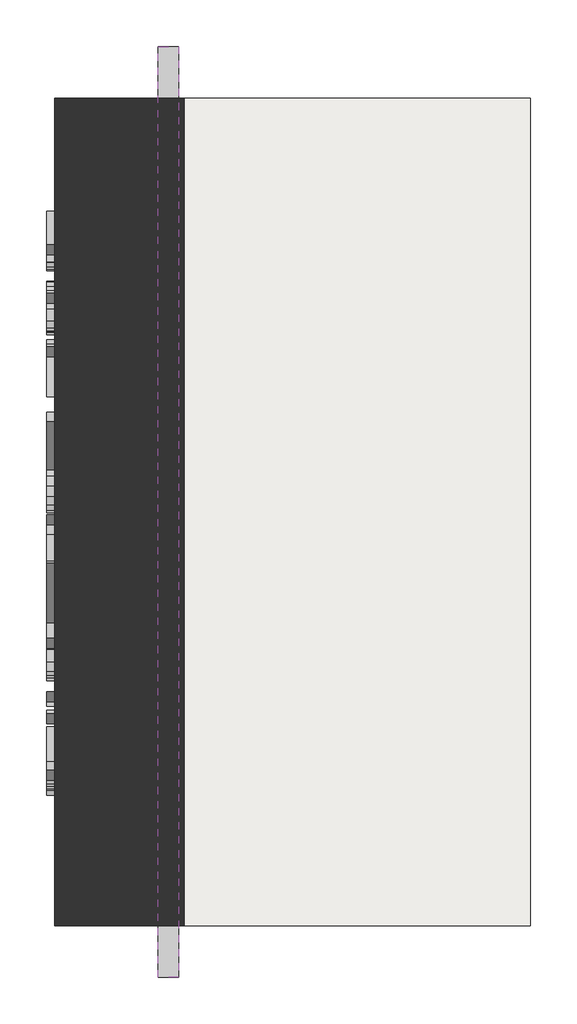
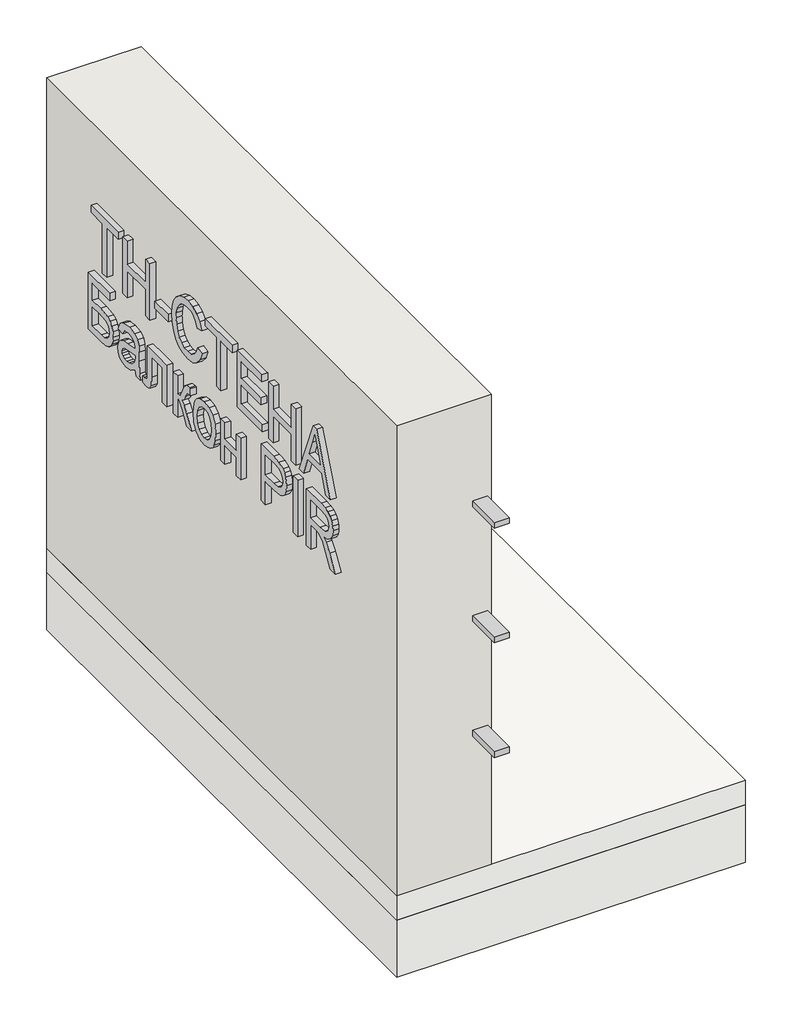
# One storey: 3 beams, 2 slabs, 1 proxy, 1 wall.
"""IFC4 building model written with IfcOpenShell, lengths in millimetres."""

import ifcopenshell
import ifcopenshell.guid

model = None  # the IFC model being written
_history = None  # IfcOwnerHistory: only IFC2X3 demands one
_inside = {}  # id of a spatial element -> (the spatial element, [elements in it])
_under = {}  # id of a project, library or spatial element -> (it, [spatial elements below it])
_declared = {}  # id of a project -> (the project, [libraries it declares])
_typed = {}  # id of a type object -> (the type object, [elements of that type])
_made_of = {}  # id of a material, layer set ... -> (it, [elements and type objects made of it])


def new_model(schema):
    """Start an empty IFC model of exactly this schema.

    Asked for "IFC4X3", IfcOpenShell would pick the latest addendum, in which some entities
    have other attributes; the version numbers below select the first issue.
    IFC2X3 requires an IfcOwnerHistory on every rooted entity: one is made here for all.
    """
    global model, _history
    if schema == "IFC4X3":
        model = ifcopenshell.file(schema_version=(4, 3, 0, 0))
    else:
        model = ifcopenshell.file(schema=schema)
    _inside.clear()
    _under.clear()
    _declared.clear()
    _typed.clear()
    _made_of.clear()
    _history = None
    if model.schema == "IFC2X3":
        org = make("IfcOrganization", Name="unknown")
        user = make(
            "IfcPersonAndOrganization",
            ThePerson=make("IfcPerson", FamilyName="unknown"),
            TheOrganization=org,
        )
        app = make(
            "IfcApplication",
            ApplicationDeveloper=org,
            Version="unknown",
            ApplicationFullName="unknown",
            ApplicationIdentifier="unknown",
        )
        _history = make(
            "IfcOwnerHistory",
            OwningUser=user,
            OwningApplication=app,
            ChangeAction="ADDED",
            CreationDate=0,
        )
    return model


def make(cls, **values):
    """One entity of the class cls with the attributes given. An attribute that is None is left unset."""
    return model.create_entity(
        cls, **{name: value for name, value in values.items() if value is not None}
    )


def rooted(cls, **values):
    """An entity with a GlobalId (a new one), such as an element, a storey or a relation."""
    return make(cls, GlobalId=ifcopenshell.guid.new(), OwnerHistory=_history, **values)


def si_unit(unit_type, name, prefix=None):
    """IfcSIUnit, for example si_unit("LENGTHUNIT", "METRE", prefix="MILLI")."""
    return make("IfcSIUnit", UnitType=unit_type, Prefix=prefix, Name=name)


def assignment(units):
    """IfcUnitAssignment: the units of a project."""
    return None if units is None else make("IfcUnitAssignment", Units=units)


def point(xyz):
    """IfcCartesianPoint."""
    return None if xyz is None else make("IfcCartesianPoint", Coordinates=xyz)


def direction(xyz):
    """IfcDirection."""
    return None if xyz is None else make("IfcDirection", DirectionRatios=xyz)


def frame(location, z_axis=None, x_axis=None):
    """IfcAxis2Placement3D, a coordinate frame: its origin and axes. An axis left out is left unset."""
    return make(
        "IfcAxis2Placement3D",
        Location=point(location),
        Axis=direction(z_axis),
        RefDirection=direction(x_axis),
    )


def origin():
    """The frame at (0, 0, 0) with its axes left unset."""
    return frame((0.0, 0.0, 0.0))


def origin_with_axes():
    """The frame at (0, 0, 0) with the z axis (0, 0, 1) and the x axis (1, 0, 0) written out."""
    return frame((0.0, 0.0, 0.0), z_axis=(0.0, 0.0, 1.0), x_axis=(1.0, 0.0, 0.0))


def place(relative_to, where):
    """IfcLocalPlacement: puts the frame where relative to a parent placement (None: the world)."""
    return make(
        "IfcLocalPlacement", PlacementRelTo=relative_to, RelativePlacement=where
    )


def context(
    kind, dimensions, precision=None, world=None, true_north=None, identifier=None
):
    """IfcGeometricRepresentationContext, for example the 3D "Model" context."""
    return make(
        "IfcGeometricRepresentationContext",
        ContextIdentifier=identifier,
        ContextType=kind,
        CoordinateSpaceDimension=dimensions,
        Precision=precision,
        WorldCoordinateSystem=world,
        TrueNorth=true_north,
    )


def project(units=None, contexts=None):
    """IfcProject with its units and contexts."""
    return rooted(
        "IfcProject",
        Name="project",
        RepresentationContexts=contexts,
        UnitsInContext=assignment(units),
    )


def spatial(cls, under=None, at=None, **own):
    """A site, building, storey or space (cls), placed at a placement, below another one or the project."""
    s = rooted(cls, ObjectPlacement=at, **own)
    if under is not None:
        _under.setdefault(under.id(), (under, []))[1].append(s)
    return s


def polyline(points):
    """IfcPolyline through the points."""
    return make("IfcPolyline", Points=[point(p) for p in points])


def outline(outer, holes=None, kind="AREA"):
    """IfcArbitraryClosedProfileDef: a profile drawn as a closed curve; with holes, ...WithVoids."""
    if holes is None:
        return make("IfcArbitraryClosedProfileDef", ProfileType=kind, OuterCurve=outer)
    return make(
        "IfcArbitraryProfileDefWithVoids",
        ProfileType=kind,
        OuterCurve=outer,
        InnerCurves=holes,
    )


def extrude(swept, where, along, depth):
    """IfcExtrudedAreaSolid: the profile swept, set in the frame where, extruded along a direction by depth."""
    return make(
        "IfcExtrudedAreaSolid",
        SweptArea=swept,
        Position=where,
        ExtrudedDirection=direction(along),
        Depth=depth,
    )


def faces_of(points, faces, orient=None, outer=None):
    """IfcFace entities. A face is a list of loops; a loop is a list of indices into points, from 0.

    orient and outer hold one flag for each loop. By default every Orientation is true, the
    first loop of a face is its IfcFaceOuterBound and the others are IfcFaceBound.
    """
    made = []
    for i, loops in enumerate(faces):
        bounds = []
        for j, loop in enumerate(loops):
            is_outer = j == 0 if outer is None else outer[i][j]
            bounds.append(
                make(
                    "IfcFaceOuterBound" if is_outer else "IfcFaceBound",
                    Bound=make("IfcPolyLoop", Polygon=[points[k] for k in loop]),
                    Orientation=True if orient is None else orient[i][j],
                )
            )
        made.append(make("IfcFace", Bounds=bounds))
    return made


def faceted_brep(points, faces, orient=None, outer=None, voids=None):
    """IfcFacetedBrep: a solid bounded by flat faces; with voids (closed shells), ...WithVoids."""
    shared = [point(p) for p in points]
    hull = make("IfcClosedShell", CfsFaces=faces_of(shared, faces, orient, outer))
    if voids is None:
        return make("IfcFacetedBrep", Outer=hull)
    return make(
        "IfcFacetedBrepWithVoids",
        Outer=hull,
        Voids=[
            make(cls, CfsFaces=faces_of(shared, fs, o, b)) for cls, fs, o, b in voids
        ],
    )


def shape(context_of_items, identifier, shape_type, items):
    """IfcShapeRepresentation: the items that make up one representation, for example the "Body"."""
    return make(
        "IfcShapeRepresentation",
        ContextOfItems=context_of_items,
        RepresentationIdentifier=identifier,
        RepresentationType=shape_type,
        Items=items,
    )


def source(mapping_origin, context_of_items, identifier, shape_type, items):
    """IfcRepresentationMap: a shape defined once, which mapped items show again and again."""
    return make(
        "IfcRepresentationMap",
        MappingOrigin=mapping_origin,
        MappedRepresentation=shape(context_of_items, identifier, shape_type, items),
    )


def transform(
    local_origin,
    x_axis=None,
    y_axis=None,
    z_axis=None,
    scale=None,
    scale2=None,
    scale3=None,
    uniform=True,
):
    """IfcCartesianTransformationOperator3D, or its non-uniform kind. x_axis, y_axis, z_axis: its Axis1, 2, 3."""
    if uniform:
        return make(
            "IfcCartesianTransformationOperator3D",
            Axis1=direction(x_axis),
            Axis2=direction(y_axis),
            LocalOrigin=point(local_origin),
            Scale=scale,
            Axis3=direction(z_axis),
        )
    return make(
        "IfcCartesianTransformationOperator3DnonUniform",
        Axis1=direction(x_axis),
        Axis2=direction(y_axis),
        LocalOrigin=point(local_origin),
        Scale=scale,
        Axis3=direction(z_axis),
        Scale2=scale2,
        Scale3=scale3,
    )


def mapped(mapping_source, mapping_target):
    """IfcMappedItem: shows the shape of a source again, moved by a transform."""
    return make(
        "IfcMappedItem", MappingSource=mapping_source, MappingTarget=mapping_target
    )


def made_of(thing, what):
    """Note that an element or type object is made of a material, layer set ...; save() writes the relation."""
    if what is not None:
        _made_of.setdefault(what.id(), (what, []))[1].append(thing)
    return thing


def element(
    cls,
    number,
    at=None,
    inside=None,
    cuts=None,
    type_object=None,
    material=None,
    context=None,
    identifier="Body",
    shape_type=None,
    held_by="IfcProductDefinitionShape",
    body=None,
    shapes=None,
    **own,
):
    """One element of the class cls, such as IfcWall. Its Tag is "e" and its number.

    at: its placement. inside: the storey or other place that contains it. cuts: it is an
    opening in that element (IfcRelVoidsElement). A single representation is given by context,
    identifier, shape_type and body (its items); several are given by shapes. held_by: the class
    of the entity that holds the representations. save() writes the other relations.
    """
    e = rooted(cls, Tag="e%d" % number, ObjectPlacement=at, **own)
    if body is not None:
        shapes = [shape(context, identifier, shape_type, body)]
    if shapes is not None:
        e.Representation = make(held_by, Representations=shapes)
    if inside is not None:
        _inside.setdefault(inside.id(), (inside, []))[1].append(e)
    if cuts is not None:
        rooted(
            "IfcRelVoidsElement", RelatingBuildingElement=cuts, RelatedOpeningElement=e
        )
    if type_object is not None:
        _typed.setdefault(type_object.id(), (type_object, []))[1].append(e)
    return made_of(e, material)


def aggregate(whole, parts):
    """IfcRelAggregates: a whole, such as a stair, and the parts it consists of."""
    return rooted("IfcRelAggregates", RelatingObject=whole, RelatedObjects=parts)


def save(model, path):
    """Write the relations noted so far, then the file.

    IfcRelAggregates (storeys below a building ...), IfcRelContainedInSpatialStructure (elements
    in a storey), IfcRelDefinesByType, IfcRelAssociatesMaterial and IfcRelDeclares: one each for
    every whole, place, type object, material and project.
    """
    for whole, parts in _under.values():
        aggregate(whole, parts)
    for where, things in _inside.values():
        rooted(
            "IfcRelContainedInSpatialStructure",
            RelatedElements=things,
            RelatingStructure=where,
        )
    for kind, things in _typed.values():
        rooted("IfcRelDefinesByType", RelatedObjects=things, RelatingType=kind)
    for what, things in _made_of.values():
        rooted("IfcRelAssociatesMaterial", RelatedObjects=things, RelatingMaterial=what)
    for by, libraries in _declared.values():
        rooted("IfcRelDeclares", RelatingContext=by, RelatedDefinitions=libraries)
    model.write(path)


def beam_9943f007(model_context):
    return source(origin(), model_context, "Body", "SweptSolid", [
        extrude(outline(polyline([(1125.0, 10.0), (1125.0, -10.0), (-1125.0, -10.0), (-1125.0, 10.0), (1125.0, 10.0)])), frame((0.0, 0.0, -25.0), z_axis=(0.0, 0.0, 1.0), x_axis=(1.0, 0.0, 0.0)), (0.0, 0.0, 1.0), 50.0),
    ])


model = new_model("IFC4")

# Units and contexts
model_context = context("Model", 3, world=origin())
ifc_project = project(units=[si_unit("LENGTHUNIT", "METRE", prefix="MILLI")], contexts=[model_context])

# Site, building, storey
site = spatial("IfcSite", under=ifc_project)
building = spatial("IfcBuilding", under=site)
storey = spatial("IfcBuildingStorey", under=building, Elevation=0.0)

# Beams
placement = place(None, origin())
beam_shape = beam_9943f007(model_context)
element("IfcBeam", 1, at=placement, inside=storey, context=model_context, shape_type="MappedRepresentation", body=[
    mapped(beam_shape, transform((43425.1455952, -23302.6148653, 1280.0), x_axis=(0.0, -1.0, 0.0), y_axis=(0.0, 0.0, 1.0), z_axis=(-1.0, 0.0, 0.0))),
])
element("IfcBeam", 2, at=placement, inside=storey, context=model_context, shape_type="MappedRepresentation", body=[
    mapped(beam_shape, transform((43425.1455952, -23302.6148653, 880.0), x_axis=(0.0, -1.0, 0.0), y_axis=(0.0, 0.0, 1.0), z_axis=(-1.0, 0.0, 0.0))),
])
element("IfcBeam", 3, at=placement, inside=storey, context=model_context, shape_type="MappedRepresentation", body=[
    mapped(beam_shape, transform((43425.1455952, -23302.6148653, 480.0), x_axis=(0.0, -1.0, 0.0), y_axis=(0.0, 0.0, 1.0), z_axis=(-1.0, 0.0, 0.0))),
])

# Proxy
element("IfcBuildingElementProxy", 4, Name="Generic Models", at=placement, inside=storey, context=model_context, shape_type="SweptSolid", body=[
    extrude(outline(polyline([(-22656.7814545, 1181.1112414), (-22681.3968391, 1181.1112414), (-22681.3968391, 1353.4189337), (-22746.0122237, 1353.4189337), (-22746.0122237, 1378.0343184), (-22592.1660699, 1378.0343184), (-22592.1660699, 1353.4189337), (-22656.7814545, 1353.4189337), (-22656.7814545, 1181.1112414)])), frame((43130.1455952, 0.0, 0.0), z_axis=(1.0, 0.0, 0.0), x_axis=(0.0, 1.0, 0.0)), (0.0, 0.0, 1.0), 20.0),
    extrude(outline(polyline([(-22773.7045314, 1181.1112414), (-22798.319916, 1181.1112414), (-22798.319916, 1273.4189337), (-22902.9353006, 1273.4189337), (-22902.9353006, 1181.1112414), (-22927.5506853, 1181.1112414), (-22927.5506853, 1378.0343184), (-22902.9353006, 1378.0343184), (-22902.9353006, 1298.0343184), (-22798.319916, 1298.0343184), (-22798.319916, 1378.0343184), (-22773.7045314, 1378.0343184), (-22773.7045314, 1181.1112414)])), frame((43130.1455952, 0.0, 0.0), z_axis=(1.0, 0.0, 0.0), x_axis=(0.0, 1.0, 0.0)), (0.0, 0.0, 1.0), 20.0),
    extrude(outline(polyline([(43130.1455952, -23032.1660699), (43130.1455952, -22955.242993), (43150.1455952, -22955.242993), (43150.1455952, -23032.1660699), (43130.1455952, -23032.1660699)])), frame((0.0, 0.0, 1239.5727799), z_axis=(0.0, 0.0, 1.0), x_axis=(1.0, 0.0, 0.0)), (0.0, 0.0, 1.0), 24.6153846),
    extrude(outline(polyline([(-23201.3968391, 1251.1112414), (-23193.4340987, 1230.0295107), (-23180.507416, 1214.8612414), (-23163.3860218, 1205.7025876), (-23142.8391468, 1202.649703), (-23125.2129449, 1204.8912895), (-23108.8728006, 1211.6160491), (-23095.242993, 1222.8720587), (-23085.7478006, 1238.7073953), (-23080.1768872, 1258.3708568), (-23078.319916, 1281.1112414), (-23079.8884256, 1299.680953), (-23084.5939545, 1317.6977799), (-23093.1696756, 1333.6352799), (-23106.3487622, 1345.9670107), (-23123.7165506, 1353.8636453), (-23144.8583776, 1356.4958568), (-23163.1997237, 1354.1220587), (-23178.1276083, 1347.0006645), (-23189.7862622, 1334.6869626), (-23198.319916, 1316.7362414), (-23222.9353006, 1322.601626), (-23212.0639064, 1347.3131645), (-23195.1228006, 1365.774703), (-23172.8090987, 1377.2771068), (-23145.819916, 1381.1112414), (-23121.0843391, 1378.148501), (-23098.5122237, 1369.2602799), (-23079.4797718, 1354.6629241), (-23065.3631853, 1334.5727799), (-23056.6191949, 1309.7771068), (-23053.7045314, 1281.0631645), (-23056.2826564, 1253.8396068), (-23064.0170314, 1228.4189337), (-23076.6853006, 1206.7963376), (-23094.0651083, 1190.9670107), (-23116.7393872, 1181.2674914), (-23145.2910699, 1178.0343184), (-23173.4160699, 1182.3071549), (-23196.8295314, 1195.1256645), (-23214.6540506, 1216.0811934), (-23226.0122237, 1244.7650876), (-23201.3968391, 1251.1112414)])), frame((43130.1455952, 0.0, 0.0), z_axis=(1.0, 0.0, 0.0), x_axis=(0.0, 1.0, 0.0)), (0.0, 0.0, 1.0), 20.0),
    extrude(outline(polyline([(-23309.0891468, 1181.1112414), (-23333.7045314, 1181.1112414), (-23333.7045314, 1353.4189337), (-23398.319916, 1353.4189337), (-23398.319916, 1378.0343184), (-23244.4737622, 1378.0343184), (-23244.4737622, 1353.4189337), (-23309.0891468, 1353.4189337), (-23309.0891468, 1181.1112414)])), frame((43130.1455952, 0.0, 0.0), z_axis=(1.0, 0.0, 0.0), x_axis=(0.0, 1.0, 0.0)), (0.0, 0.0, 1.0), 20.0),
    extrude(outline(polyline([(-23426.0122237, 1181.1112414), (-23570.6276083, 1181.1112414), (-23570.6276083, 1205.726626), (-23450.6276083, 1205.726626), (-23450.6276083, 1270.3420107), (-23561.3968391, 1270.3420107), (-23561.3968391, 1294.9573953), (-23450.6276083, 1294.9573953), (-23450.6276083, 1353.4189337), (-23567.5506853, 1353.4189337), (-23567.5506853, 1378.0343184), (-23426.0122237, 1378.0343184), (-23426.0122237, 1181.1112414)])), frame((43130.1455952, 0.0, 0.0), z_axis=(1.0, 0.0, 0.0), x_axis=(0.0, 1.0, 0.0)), (0.0, 0.0, 1.0), 20.0),
    extrude(outline(polyline([(-23607.5506853, 1181.1112414), (-23632.1660699, 1181.1112414), (-23632.1660699, 1273.4189337), (-23736.7814545, 1273.4189337), (-23736.7814545, 1181.1112414), (-23761.3968391, 1181.1112414), (-23761.3968391, 1378.0343184), (-23736.7814545, 1378.0343184), (-23736.7814545, 1298.0343184), (-23632.1660699, 1298.0343184), (-23632.1660699, 1378.0343184), (-23607.5506853, 1378.0343184), (-23607.5506853, 1181.1112414)])), frame((43130.1455952, 0.0, 0.0), z_axis=(1.0, 0.0, 0.0), x_axis=(0.0, 1.0, 0.0)), (0.0, 0.0, 1.0), 20.0),
    extrude(outline(polyline([(-23781.5410699, 1181.1112414), (-23807.5506853, 1181.1112414), (-23830.0506853, 1242.649703), (-23911.1564545, 1242.649703), (-23933.7045314, 1181.1112414), (-23959.7141468, 1181.1112414), (-23881.1083776, 1378.0343184), (-23860.1468391, 1378.0343184), (-23781.5410699, 1181.1112414)]), holes=[polyline([(-23839.0891468, 1267.2650876), (-23858.367993, 1319.9093184), (-23870.6276083, 1353.4189337), (-23884.4256853, 1315.6785491), (-23902.1660699, 1267.2650876), (-23839.0891468, 1267.2650876)])]), frame((43130.1455952, 0.0, 0.0), z_axis=(1.0, 0.0, 0.0), x_axis=(0.0, 1.0, 0.0)), (0.0, 0.0, 1.0), 20.0),
    extrude(outline(polyline([(-22575.242993, 1134.9573953), (-22575.242993, 938.0343184), (-22650.3872237, 938.0343184), (-22676.7453968, 940.101626), (-22694.0891468, 946.3035491), (-22705.3331372, 955.7686934), (-22713.3920314, 967.6256645), (-22718.241791, 981.165328), (-22719.8583776, 995.6785491), (-22717.586743, 1012.962203), (-22710.7718391, 1027.9862414), (-22700.1828968, 1039.6569145), (-22686.5891468, 1046.8804722), (-22645.9641468, 1051.8804722), (-22599.8583776, 1051.8804722), (-22599.8583776, 1110.3420107), (-22698.319916, 1110.3420107), (-22698.319916, 1134.9573953), (-22575.242993, 1134.9573953)]), holes=[polyline([(-22599.8583776, 962.649703), (-22599.8583776, 1027.2650876), (-22635.0506853, 1027.2650876), (-22672.1420314, 1024.7170107), (-22681.835541, 1020.8708568), (-22689.1372237, 1014.4285491), (-22693.7165506, 1005.7386453), (-22695.242993, 995.149703), (-22692.5747237, 980.930953), (-22684.569916, 970.774703), (-22671.2405891, 964.680953), (-22652.5987622, 962.649703), (-22599.8583776, 962.649703)])]), frame((43130.1455952, 0.0, 0.0), z_axis=(1.0, 0.0, 0.0), x_axis=(0.0, 1.0, 0.0)), (0.0, 0.0, 1.0), 20.0),
    extrude(outline(polyline([(-22842.9353006, 956.4958568), (-22849.0891468, 938.0343184), (-22873.7045314, 938.0343184), (-22868.8006853, 958.7314337), (-22867.5506853, 1001.4958568), (-22867.5506853, 1032.1208568), (-22866.3487622, 1053.6593184), (-22858.8006853, 1070.3660491), (-22841.9497237, 1081.351626), (-22812.117993, 1085.726626), (-22779.6420314, 1080.774703), (-22767.274243, 1074.7771068), (-22758.1997237, 1066.6881645), (-22747.5506853, 1042.649703), (-22772.1660699, 1039.5727799), (-22777.0578968, 1049.8071549), (-22784.0410699, 1056.3756645), (-22808.944916, 1061.1112414), (-22824.7862622, 1059.3323953), (-22836.1564545, 1053.9958568), (-22841.2405891, 1046.8083568), (-22842.9353006, 1035.8227799), (-22842.7910699, 1030.3420107), (-22800.0987622, 1021.8804722), (-22778.8006853, 1018.1785491), (-22761.5651083, 1010.101626), (-22749.1853006, 995.9670107), (-22744.4737622, 976.4958568), (-22747.5927526, 959.945376), (-22756.9497237, 946.6400876), (-22772.1240026, 937.8780684), (-22792.694916, 934.9573953), (-22819.0651083, 939.8131645), (-22842.9353006, 956.4958568)]), holes=[polyline([(-22842.9353006, 1005.726626), (-22842.7910699, 998.7554722), (-22838.8968391, 979.7170107), (-22822.8391468, 965.462203), (-22811.1564545, 961.0451357), (-22797.9353006, 959.5727799), (-22785.4653487, 960.9069145), (-22776.4208776, 964.9093184), (-22770.9220795, 970.9069145), (-22769.0891468, 978.226626), (-22772.4545314, 987.6977799), (-22782.0458776, 994.1881645), (-22803.2237622, 998.1785491), (-22842.9353006, 1005.726626)])]), frame((43130.1455952, 0.0, 0.0), z_axis=(1.0, 0.0, 0.0), x_axis=(0.0, 1.0, 0.0)), (0.0, 0.0, 1.0), 20.0),
    extrude(outline(polyline([(-22913.7045314, 1082.649703), (-22913.7045314, 990.4381645), (-22912.5987622, 968.9718184), (-22908.1516468, 964.164126), (-22897.0218391, 962.649703), (-22886.0122237, 962.649703), (-22886.0122237, 939.2843184), (-22906.0122237, 938.0343184), (-22918.4401083, 939.4706164), (-22927.5506853, 943.7795107), (-22936.6612622, 957.2170107), (-22938.319916, 989.0439337), (-22938.319916, 1058.0343184), (-22999.8583776, 1058.0343184), (-22999.8583776, 938.1785491), (-23024.4737622, 938.1785491), (-23024.4737622, 1082.649703), (-22913.7045314, 1082.649703)])), frame((43130.1455952, 0.0, 0.0), z_axis=(1.0, 0.0, 0.0), x_axis=(0.0, 1.0, 0.0)), (0.0, 0.0, 1.0), 20.0),
    extrude(outline(polyline([(-23061.3968391, 1082.649703), (-23061.3968391, 938.0343184), (-23086.0122237, 938.0343184), (-23086.0122237, 1005.726626), (-23099.2333776, 1001.1833568), (-23112.2141468, 982.4093184), (-23138.0314545, 938.0343184), (-23166.0122237, 938.0343184), (-23139.6660699, 983.3708568), (-23124.4256853, 1003.5511453), (-23108.8968391, 1013.1304722), (-23122.8151083, 1021.712203), (-23132.742993, 1039.2362414), (-23141.2045314, 1055.4381645), (-23153.2237622, 1058.0343184), (-23159.8583776, 1057.8900876), (-23159.8583776, 1082.649703), (-23155.1468391, 1082.649703), (-23137.1420314, 1080.774703), (-23127.2381853, 1073.539126), (-23116.0122237, 1051.3035491), (-23102.5026083, 1025.5343184), (-23086.0122237, 1021.1112414), (-23086.0122237, 1082.649703), (-23061.3968391, 1082.649703)])), frame((43130.1455952, 0.0, 0.0), z_axis=(1.0, 0.0, 0.0), x_axis=(0.0, 1.0, 0.0)), (0.0, 0.0, 1.0), 20.0),
    extrude(outline(polyline([(-23175.242993, 1010.3420107), (-23179.7081372, 978.0823953), (-23193.1035699, 954.3804722), (-23213.7345795, 939.8131645), (-23239.9064545, 934.9573953), (-23257.2802526, 937.1629241), (-23273.2478006, 943.7795107), (-23286.6913103, 954.3864818), (-23296.492993, 968.5631645), (-23302.4785699, 987.493453), (-23304.4737622, 1012.3612414), (-23299.960541, 1043.0162895), (-23286.4208776, 1066.2314337), (-23265.7658295, 1080.852828), (-23239.9064545, 1085.726626), (-23216.2766468, 1081.7242222), (-23196.5410699, 1069.7170107), (-23187.2231612, 1058.758477), (-23180.5675122, 1045.2097991), (-23175.242993, 1010.3420107)]), holes=[polyline([(-23199.8583776, 1010.3900876), (-23202.7069353, 1032.6557126), (-23211.2526083, 1048.4910491), (-23224.1131853, 1057.9561934), (-23239.9064545, 1061.1112414), (-23255.5374641, 1057.9441741), (-23268.3920314, 1048.4429722), (-23276.991791, 1032.7879241), (-23279.8583776, 1011.1593184), (-23277.0098199, 988.3948953), (-23268.4641468, 972.3131645), (-23255.6276083, 962.757876), (-23239.9064545, 959.5727799), (-23224.1131853, 962.7398472), (-23211.2526083, 972.2410491), (-23202.7069353, 988.1124434), (-23199.8583776, 1010.3900876)])]), frame((43130.1455952, 0.0, 0.0), z_axis=(1.0, 0.0, 0.0), x_axis=(0.0, 1.0, 0.0)), (0.0, 0.0, 1.0), 20.0),
    extrude(outline(polyline([(-23332.1660699, 1082.649703), (-23332.1660699, 938.0343184), (-23356.7814545, 938.0343184), (-23356.7814545, 1002.649703), (-23421.3968391, 1002.649703), (-23421.3968391, 938.0343184), (-23446.0122237, 938.0343184), (-23446.0122237, 1082.649703), (-23421.3968391, 1082.649703), (-23421.3968391, 1027.2650876), (-23356.7814545, 1027.2650876), (-23356.7814545, 1082.649703), (-23332.1660699, 1082.649703)])), frame((43130.1455952, 0.0, 0.0), z_axis=(1.0, 0.0, 0.0), x_axis=(0.0, 1.0, 0.0)), (0.0, 0.0, 1.0), 20.0),
    extrude(outline(polyline([(-23562.9353006, 938.0343184), (-23587.5506853, 938.0343184), (-23587.5506853, 1018.0343184), (-23637.5987622, 1018.0343184), (-23672.5687141, 1022.3852799), (-23685.2715386, 1027.8239818), (-23694.7862622, 1035.4381645), (-23706.6672718, 1054.7771068), (-23710.6276083, 1077.9862414), (-23704.7622237, 1104.837203), (-23697.9533295, 1115.7146068), (-23689.257416, 1123.8756645), (-23665.3391468, 1133.0823953), (-23635.9160699, 1134.9573953), (-23562.9353006, 1134.9573953), (-23562.9353006, 938.0343184)]), holes=[polyline([(-23587.5506853, 1042.649703), (-23587.5506853, 1110.3420107), (-23638.4641468, 1110.3420107), (-23663.0795314, 1108.6593184), (-23672.3764064, 1104.524703), (-23679.6901083, 1097.5054722), (-23684.4316949, 1088.1785491), (-23686.0122237, 1077.1208568), (-23683.3319353, 1062.5655684), (-23675.2910699, 1051.6881645), (-23660.867993, 1044.9093184), (-23639.0410699, 1042.649703), (-23587.5506853, 1042.649703)])]), frame((43130.1455952, 0.0, 0.0), z_axis=(1.0, 0.0, 0.0), x_axis=(0.0, 1.0, 0.0)), (0.0, 0.0, 1.0), 20.0),
    extrude(outline(polyline([(43130.1455952, -23772.1660699), (43130.1455952, -23747.5506853), (43150.1455952, -23747.5506853), (43150.1455952, -23772.1660699), (43130.1455952, -23772.1660699)])), frame((0.0, 0.0, 938.0343184), z_axis=(0.0, 0.0, 1.0), x_axis=(1.0, 0.0, 0.0)), (0.0, 0.0, 1.0), 196.9230769),
    extrude(outline(polyline([(-23821.3968391, 938.0343184), (-23846.0122237, 938.0343184), (-23846.0122237, 1024.1881645), (-23875.7237622, 1024.1881645), (-23890.0026083, 1023.3227799), (-23901.7093391, 1018.6352799), (-23914.7141468, 1005.8708568), (-23933.2237622, 978.851626), (-23958.8487622, 938.0343184), (-23987.4545314, 938.0343184), (-23954.617993, 991.399703), (-23934.6660699, 1016.7362414), (-23920.6756853, 1027.2650876), (-23944.9244833, 1033.7915299), (-23961.9016468, 1045.5823953), (-23971.9076564, 1061.664126), (-23975.242993, 1081.0631645), (-23973.2297718, 1096.6581164), (-23967.1901083, 1110.8468184), (-23957.7790506, 1122.289126), (-23945.6516468, 1129.6448953), (-23929.0590987, 1133.6292703), (-23906.2526083, 1134.9573953), (-23821.3968391, 1134.9573953), (-23821.3968391, 938.0343184)]), holes=[polyline([(-23846.0122237, 1048.8035491), (-23846.0122237, 1110.3420107), (-23907.3103006, 1110.3420107), (-23926.7874641, 1108.2146068), (-23940.2189545, 1101.8323953), (-23948.0254449, 1092.1569145), (-23950.6276083, 1080.149703), (-23945.1708776, 1063.4429722), (-23929.2093391, 1052.289126), (-23901.1083776, 1048.8035491), (-23846.0122237, 1048.8035491)])]), frame((43130.1455952, 0.0, 0.0), z_axis=(1.0, 0.0, 0.0), x_axis=(0.0, 1.0, 0.0)), (0.0, 0.0, 1.0), 20.0),
])

# Slabs
element("IfcSlab", 5, at=placement, inside=storey, context=model_context, shape_type="Brep", body=[
    faceted_brep([(44300.1455952, -22302.6148653, -85.0), (44300.1455952, -24302.6148653, -85.0), (43150.1455952, -24302.6148653, -85.0), (43150.1455952, -22302.6148653, -85.0), (44300.1455952, -22302.6148653, 0.0), (43462.6455952, -22302.6148653, 0.0), (43150.1455952, -22302.6148653, 0.0), (43150.1455952, -24302.6148653, 0.0), (43462.6455952, -24302.6148653, 0.0), (44300.1455952, -24302.6148653, 0.0)], [[[0, 1, 2, 3]], [[4, 5, 6, 7, 8, 9]], [[1, 0, 4, 9]], [[2, 1, 9, 8, 7]], [[3, 2, 7, 6]], [[0, 3, 6, 5, 4]]]),
])
element("IfcSlab", 6, at=placement, inside=storey, context=model_context, shape_type="SweptSolid", body=[
    extrude(outline(polyline([(44300.1455952, -22302.6148653), (44300.1455952, -24302.6148653), (43150.1455952, -24302.6148653), (43150.1455952, -22302.6148653), (44300.1455952, -22302.6148653)])), frame((0.0, 0.0, -285.0), z_axis=(0.0, 0.0, 1.0), x_axis=(1.0, 0.0, 0.0)), (0.0, 0.0, 1.0), 200.0),
])

# Wall
element("IfcWall", 7, at=placement, inside=storey, context=model_context, shape_type="SweptSolid", body=[
    extrude(outline(polyline([(43462.6455952, -22302.6148653), (43462.6455952, -24302.6148653), (43150.1455952, -24302.6148653), (43150.1455952, -22302.6148653), (43462.6455952, -22302.6148653)])), origin_with_axes(), (0.0, 0.0, 1.0), 1640.0),
])

save(model, "model.ifc")
